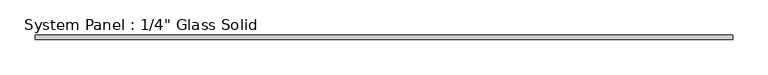
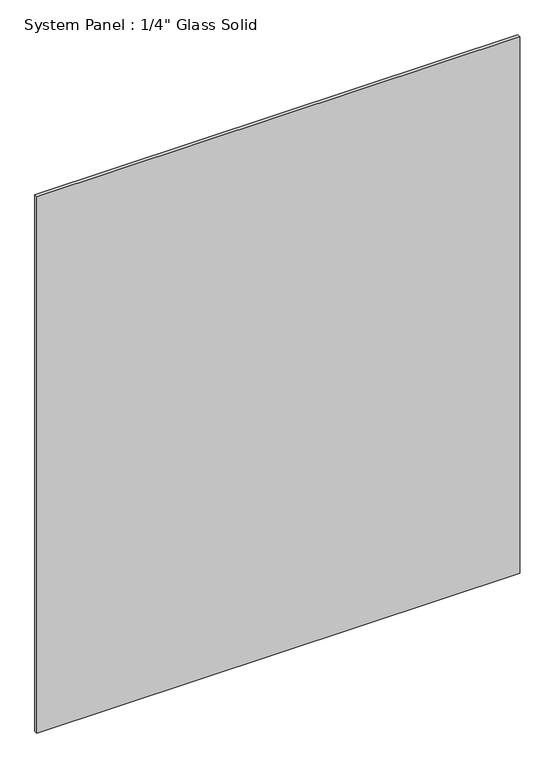
"""IFC4 building model written with IfcOpenShell, lengths in millimetres: plate geometry."""

from ifc_helpers import new_model, si_unit, origin, origin_with_axes, place, context, project, spatial, polyline, outline, extrude, source, transform, mapped, element, save


def plate_6a7e952c(model_context):
    return source(origin(), model_context, "Body", "SweptSolid", [
        extrude(outline(polyline([(495.3008852, -3.175), (-495.3008852, -3.175), (-495.3008852, 3.175), (495.3008852, 3.175), (495.3008852, -3.175)])), origin_with_axes(), (0.0, 0.0, 1.0), 1163.2094027),
    ])


if __name__ == "__main__":
    model = new_model("IFC4")
    model_context = context("Model", 3, world=origin())
    ifc_project = project(units=[si_unit("LENGTHUNIT", "METRE", prefix="MILLI")], contexts=[model_context])
    site = spatial("IfcSite", under=ifc_project)
    building = spatial("IfcBuilding", under=site)
    placement = place(None, origin())
    plate_shape = plate_6a7e952c(model_context)
    element("IfcPlate", 1, ObjectType="System Panel : 1/4\" Glass Solid", at=placement, inside=building, context=model_context, shape_type="MappedRepresentation", body=[
        mapped(plate_shape, transform((0.0, 0.0, 0.0), x_axis=(1.0, 0.0, 0.0), y_axis=(0.0, 1.0, 0.0), z_axis=(0.0, 0.0, 1.0))),
    ])
    save(model, "model.ifc")
